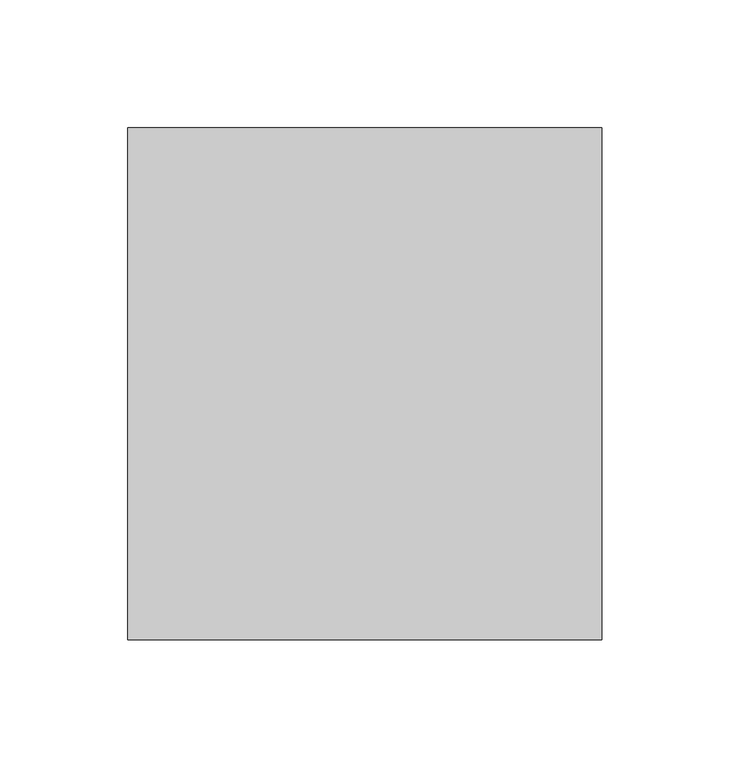
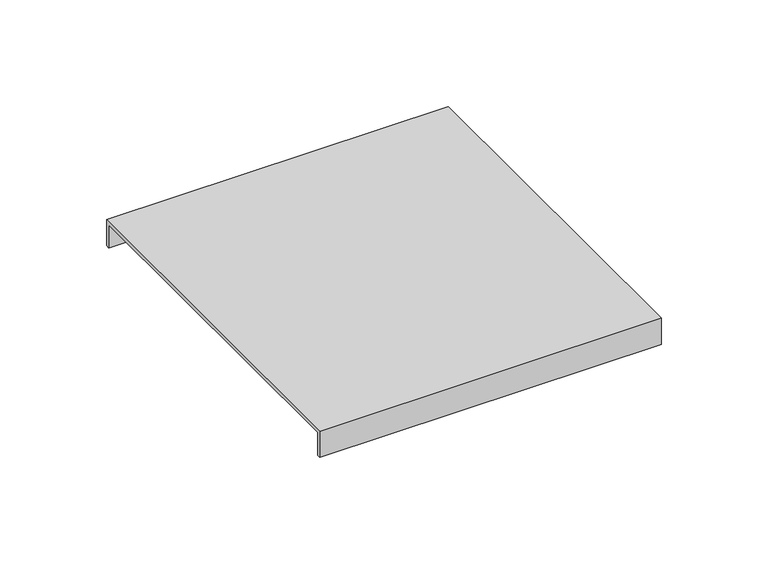
"""IFC4 building model written with IfcOpenShell, lengths in millimetres: furniture geometry."""

from ifc_helpers import new_model, si_unit, frame, origin, place, context, project, spatial, polyline, outline, extrude, source, transform, mapped, element, save


def furniture_e3fce722(model_context):
    return source(origin(), model_context, "Body", "SweptSolid", [
        extrude(outline(polyline([(100.0, 515.0), (100.0, 500.0), (98.0, 500.0), (98.0, 513.0), (-98.0, 513.0), (-98.0, 500.0), (-100.0, 500.0), (-100.0, 515.0), (100.0, 515.0)])), frame((-1005.0, 0.0, 0.0), z_axis=(1.0, 0.0, 0.0), x_axis=(0.0, 1.0, 0.0)), (0.0, 0.0, 1.0), 185.0),
    ])


if __name__ == "__main__":
    model = new_model("IFC4")
    model_context = context("Model", 3, world=origin())
    ifc_project = project(units=[si_unit("LENGTHUNIT", "METRE", prefix="MILLI")], contexts=[model_context])
    site = spatial("IfcSite", under=ifc_project)
    building = spatial("IfcBuilding", under=site)
    placement = place(None, origin())
    furniture_shape = furniture_e3fce722(model_context)
    element("IfcFurniture", 1, at=placement, inside=building, context=model_context, shape_type="MappedRepresentation", body=[
        mapped(furniture_shape, transform((0.0, 0.0, 0.0), x_axis=(1.0, 0.0, 0.0), y_axis=(0.0, 1.0, 0.0), z_axis=(0.0, 0.0, 1.0))),
    ])
    save(model, "model.ifc")
